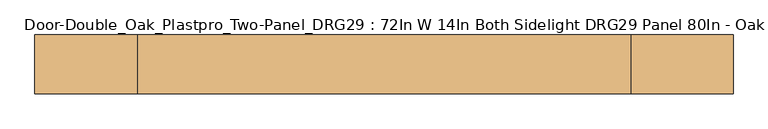
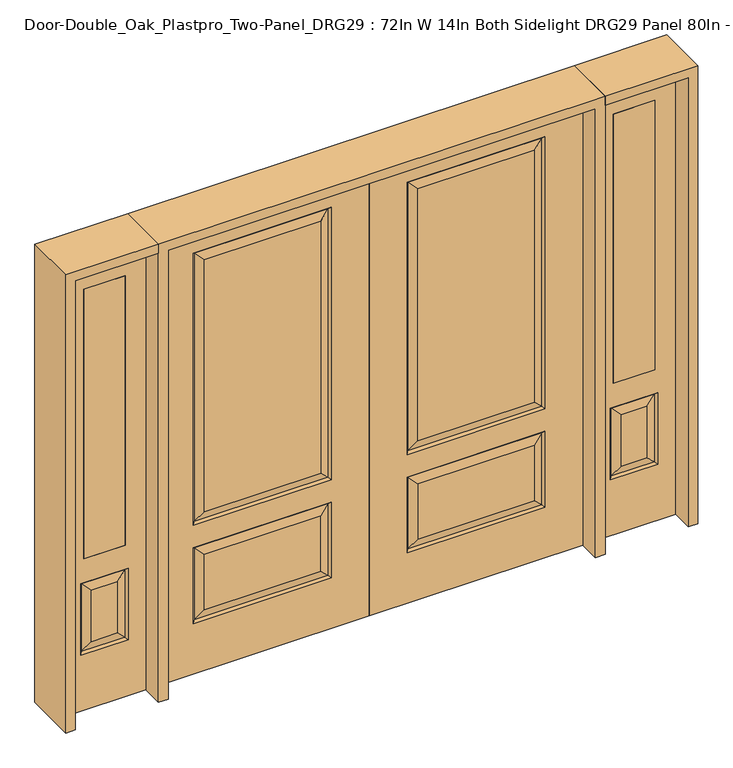
"""IFC4 building model written with IfcOpenShell, lengths in millimetres: door geometry, Door-Double_Oak_Plastpro_Two-Panel_DRG29 : 72In W 14In Both Sidelight DRG29 Panel 80In - Oak."""

from ifc_helpers import new_model, si_unit, frame, origin, place, context, project, spatial, polyline, outline, extrude, faceted_brep, source, transform, mapped, element, save


def door_double_oak_plastpro_two_panel_drg29_72in_w_14in_both_42a677c6(model_context):
    return source(origin(), model_context, "Body", "SolidModel", [
        faceted_brep([(743.3796986, -11.6572439, 562.4046986), (171.0203014, -11.6572439, 562.4046986), (208.0775452, -20.6375, 525.3474548), (706.3224548, -20.6375, 525.3474548), (208.0775452, -20.6375, 274.7525452), (171.0203014, -11.6572439, 237.6953014), (0.0, 20.6375, 0.0), (914.4, 20.6375, 0.0), (914.4, -20.6375, 0.0), (0.0, -20.6375, 0.0), (0.0, 20.6375, 2032.0), (0.0, -20.6375, 2032.0), (914.4, -20.6375, 2032.0), (162.0400452, -20.6375, 228.7150452), (162.0400452, -20.6375, 571.3849548), (752.3599548, -20.6375, 571.3849548), (752.3599548, -20.6375, 228.7150452), (162.0400452, -20.6375, 673.2150452), (162.0400452, -20.6375, 1904.8849548), (752.3599548, -20.6375, 1904.8849548), (752.3599548, -20.6375, 673.2150452), (706.3224548, -20.6375, 274.7525452), (706.3224548, -20.6375, 719.2525452), (706.3224548, -20.6375, 1858.8474548), (208.0775452, -20.6375, 1858.8474548), (208.0775452, -20.6375, 719.2525452), (706.3224548, 20.6375, 274.7525452), (706.3224548, 20.6375, 525.3474548), (743.3796986, 11.6572439, 562.4046986), (743.3796986, 11.6572439, 237.6953014), (752.3599548, 20.6375, 571.3849548), (752.3599548, 20.6375, 228.7150452), (171.0203014, 11.6572439, 237.6953014), (171.0203014, 11.6572439, 562.4046986), (208.0775452, 20.6375, 525.3474548), (208.0775452, 20.6375, 274.7525452), (171.0203014, 11.6572439, 682.1953014), (208.0775452, 20.6375, 719.2525452), (706.3224548, 20.6375, 719.2525452), (743.3796986, 11.6572439, 682.1953014), (706.3224548, 20.6375, 1858.8474548), (743.3796986, 11.6572439, 1895.9046986), (162.0400452, 20.6375, 571.3849548), (743.3796986, -11.6572439, 237.6953014), (914.4, 20.6375, 2032.0), (162.0400452, 20.6375, 228.7150452), (752.3599548, 20.6375, 673.2150452), (752.3599548, 20.6375, 1904.8849548), (162.0400452, 20.6375, 1904.8849548), (162.0400452, 20.6375, 673.2150452), (208.0775452, 20.6375, 1858.8474548), (171.0203014, 11.6572439, 1895.9046986), (171.0203014, -11.6572439, 682.1953014), (743.3796986, -11.6572439, 682.1953014), (743.3796986, -11.6572439, 1895.9046986), (171.0203014, -11.6572439, 1895.9046986)], [[[0, 1, 2, 3]], [[4, 2, 1, 5]], [[6, 7, 8, 9]], [[10, 6, 9, 11]], [[11, 9, 8, 12], [13, 14, 15, 16], [17, 18, 19, 20]], [[21, 3, 2, 4]], [[22, 23, 24, 25]], [[26, 27, 28, 29]], [[29, 28, 30, 31]], [[32, 33, 34, 35]], [[36, 37, 38, 39]], [[38, 40, 41, 39]], [[28, 33, 42, 30]], [[16, 15, 0, 43]], [[15, 14, 1, 0]], [[12, 8, 7, 44]], [[44, 7, 6, 10], [31, 30, 42, 45], [46, 47, 48, 49]], [[37, 50, 40, 38]], [[35, 34, 27, 26]], [[10, 11, 12, 44]], [[49, 48, 51, 36]], [[29, 31, 45, 32]], [[36, 51, 50, 37]], [[45, 42, 33, 32]], [[39, 46, 49, 36]], [[39, 41, 47, 46]], [[32, 35, 26, 29]], [[27, 34, 33, 28]], [[52, 17, 20, 53]], [[20, 19, 54, 53]], [[52, 55, 18, 17]], [[53, 22, 25, 52]], [[25, 24, 55, 52]], [[53, 54, 23, 22]], [[5, 13, 16, 43]], [[5, 1, 14, 13]], [[43, 21, 4, 5]], [[43, 0, 3, 21]], [[19, 18, 55, 54]], [[54, 55, 24, 23]], [[40, 50, 51, 41]], [[41, 51, 48, 47]]]),
        faceted_brep([(-743.3796986, -11.6572439, 562.4046986), (-706.3224548, -20.6375, 525.3474548), (-208.0775452, -20.6375, 525.3474548), (-171.0203014, -11.6572439, 562.4046986), (-208.0775452, -20.6375, 274.7525452), (-171.0203014, -11.6572439, 237.6953014), (0.0, 20.6375, 0.0), (0.0, -20.6375, 0.0), (-914.4, -20.6375, 0.0), (-914.4, 20.6375, 0.0), (0.0, 20.6375, 2032.0), (0.0, -20.6375, 2032.0), (-706.3224548, -20.6375, 719.2525452), (-208.0775452, -20.6375, 719.2525452), (-208.0775452, -20.6375, 1858.8474548), (-706.3224548, -20.6375, 1858.8474548), (-914.4, -20.6375, 2032.0), (-162.0400452, -20.6375, 673.2150452), (-752.3599548, -20.6375, 673.2150452), (-752.3599548, -20.6375, 1904.8849548), (-162.0400452, -20.6375, 1904.8849548), (-162.0400452, -20.6375, 228.7150452), (-752.3599548, -20.6375, 228.7150452), (-752.3599548, -20.6375, 571.3849548), (-162.0400452, -20.6375, 571.3849548), (-706.3224548, -20.6375, 274.7525452), (-706.3224548, 20.6375, 274.7525452), (-743.3796986, 11.6572439, 237.6953014), (-743.3796986, 11.6572439, 562.4046986), (-706.3224548, 20.6375, 525.3474548), (-752.3599548, 20.6375, 228.7150452), (-752.3599548, 20.6375, 571.3849548), (-171.0203014, 11.6572439, 237.6953014), (-208.0775452, 20.6375, 274.7525452), (-208.0775452, 20.6375, 525.3474548), (-171.0203014, 11.6572439, 562.4046986), (-171.0203014, 11.6572439, 682.1953014), (-743.3796986, 11.6572439, 682.1953014), (-706.3224548, 20.6375, 719.2525452), (-208.0775452, 20.6375, 719.2525452), (-743.3796986, 11.6572439, 1895.9046986), (-706.3224548, 20.6375, 1858.8474548), (-162.0400452, 20.6375, 571.3849548), (-743.3796986, -11.6572439, 237.6953014), (-914.4, 20.6375, 2032.0), (-162.0400452, 20.6375, 228.7150452), (-752.3599548, 20.6375, 673.2150452), (-162.0400452, 20.6375, 673.2150452), (-162.0400452, 20.6375, 1904.8849548), (-752.3599548, 20.6375, 1904.8849548), (-208.0775452, 20.6375, 1858.8474548), (-171.0203014, 11.6572439, 1895.9046986), (-171.0203014, -11.6572439, 682.1953014), (-743.3796986, -11.6572439, 682.1953014), (-743.3796986, -11.6572439, 1895.9046986), (-171.0203014, -11.6572439, 1895.9046986)], [[[0, 1, 2, 3]], [[4, 5, 3, 2]], [[6, 7, 8, 9]], [[10, 11, 7, 6]], [[12, 13, 14, 15]], [[11, 16, 8, 7], [17, 18, 19, 20], [21, 22, 23, 24]], [[25, 4, 2, 1]], [[26, 27, 28, 29]], [[27, 30, 31, 28]], [[32, 33, 34, 35]], [[36, 37, 38, 39]], [[38, 37, 40, 41]], [[28, 31, 42, 35]], [[22, 43, 0, 23]], [[23, 0, 3, 24]], [[16, 44, 9, 8]], [[33, 26, 29, 34]], [[44, 10, 6, 9], [30, 45, 42, 31], [46, 47, 48, 49]], [[39, 38, 41, 50]], [[10, 44, 16, 11]], [[47, 36, 51, 48]], [[27, 32, 45, 30]], [[36, 39, 50, 51]], [[45, 32, 35, 42]], [[37, 36, 47, 46]], [[37, 46, 49, 40]], [[32, 27, 26, 33]], [[29, 28, 35, 34]], [[52, 53, 18, 17]], [[18, 53, 54, 19]], [[52, 17, 20, 55]], [[53, 52, 13, 12]], [[13, 52, 55, 14]], [[53, 12, 15, 54]], [[5, 43, 22, 21]], [[5, 21, 24, 3]], [[43, 5, 4, 25]], [[43, 25, 1, 0]], [[19, 54, 55, 20]], [[54, 15, 14, 55]], [[41, 40, 51, 50]], [[40, 49, 48, 51]]]),
        extrude(outline(polyline([(1222.375, -20.6375), (1044.575, -20.6375), (1044.575, 20.6375), (1222.375, 20.6375), (1222.375, -20.6375)])), frame((0.0, 0.0, 685.8), z_axis=(0.0, 0.0, 1.0), x_axis=(1.0, 0.0, 0.0)), (0.0, 0.0, 1.0), 1219.2),
        faceted_brep([(1222.375, -20.6375, 1905.0), (1044.575, -20.6375, 1905.0), (1044.575, 20.6375, 1905.0), (1222.375, 20.6375, 1905.0), (1188.9224548, -20.6375, 531.6974548), (1078.0275452, -20.6375, 531.6974548), (1078.0275452, -20.6375, 300.1525452), (1188.9224548, -20.6375, 300.1525452), (955.675, -20.6375, 2032.0), (955.675, -20.6375, 0.0), (1311.275, -20.6375, 0.0), (1311.275, -20.6375, 2032.0), (1222.375, -20.6375, 685.8), (1044.575, -20.6375, 685.8), (1234.9599548, -20.6375, 254.1150452), (1031.9900452, -20.6375, 254.1150452), (1031.9900452, -20.6375, 577.7349548), (1234.9599548, -20.6375, 577.7349548), (1225.9796986, 11.6572439, 568.7546986), (1234.9599548, 20.6375, 577.7349548), (1234.9599548, 20.6375, 254.1150452), (1225.9796986, 11.6572439, 263.0953014), (1040.9703014, 11.6572439, 568.7546986), (1031.9900452, 20.6375, 577.7349548), (1188.9224548, 20.6375, 300.1525452), (1188.9224548, 20.6375, 531.6974548), (1222.375, 20.6375, 685.8), (1044.575, 20.6375, 685.8), (1040.9703014, -11.6572439, 263.0953014), (1225.9796986, -11.6572439, 263.0953014), (1040.9703014, -11.6572439, 568.7546986), (1225.9796986, -11.6572439, 568.7546986), (955.675, 20.6375, 2032.0), (1311.275, 20.6375, 2032.0), (955.675, 20.6375, 0.0), (1311.275, 20.6375, 0.0), (1031.9900452, 20.6375, 254.1150452), (1078.0275452, 20.6375, 300.1525452), (1078.0275452, 20.6375, 531.6974548), (1040.9703014, 11.6572439, 263.0953014)], [[[0, 1, 2, 3]], [[4, 5, 6, 7]], [[8, 9, 10, 11], [0, 12, 13, 1], [14, 15, 16, 17]], [[18, 19, 20, 21]], [[18, 22, 23, 19]], [[21, 24, 25, 18]], [[26, 27, 13, 12]], [[7, 6, 28, 29]], [[6, 5, 30, 28]], [[29, 14, 17, 31]], [[32, 8, 11, 33]], [[34, 35, 10, 9]], [[32, 34, 9, 8]], [[11, 10, 35, 33]], [[33, 35, 34, 32], [19, 23, 36, 20], [2, 27, 26, 3]], [[24, 37, 38, 25]], [[20, 36, 39, 21]], [[36, 23, 22, 39]], [[25, 38, 22, 18]], [[39, 22, 38, 37]], [[21, 39, 37, 24]], [[3, 26, 12, 0]], [[1, 13, 27, 2]], [[31, 4, 7, 29]], [[31, 30, 5, 4]], [[17, 16, 30, 31]], [[28, 30, 16, 15]], [[29, 28, 15, 14]]]),
        extrude(outline(polyline([(-1222.375, -20.6375), (-1222.375, 20.6375), (-1044.575, 20.6375), (-1044.575, -20.6375), (-1222.375, -20.6375)])), frame((0.0, 0.0, 685.8), z_axis=(0.0, 0.0, 1.0), x_axis=(1.0, 0.0, 0.0)), (0.0, 0.0, 1.0), 1219.2),
        faceted_brep([(-1222.375, -20.6375, 1905.0), (-1222.375, 20.6375, 1905.0), (-1044.575, 20.6375, 1905.0), (-1044.575, -20.6375, 1905.0), (-1188.9224548, -20.6375, 531.6974548), (-1188.9224548, -20.6375, 300.1525452), (-1078.0275452, -20.6375, 300.1525452), (-1078.0275452, -20.6375, 531.6974548), (-955.675, -20.6375, 2032.0), (-1311.275, -20.6375, 2032.0), (-1311.275, -20.6375, 0.0), (-955.675, -20.6375, 0.0), (-1234.9599548, -20.6375, 254.1150452), (-1234.9599548, -20.6375, 577.7349548), (-1031.9900452, -20.6375, 577.7349548), (-1031.9900452, -20.6375, 254.1150452), (-1044.575, -20.6375, 685.8), (-1222.375, -20.6375, 685.8), (-1225.9796986, 11.6572439, 568.7546986), (-1225.9796986, 11.6572439, 263.0953014), (-1234.9599548, 20.6375, 254.1150452), (-1234.9599548, 20.6375, 577.7349548), (-1031.9900452, 20.6375, 577.7349548), (-1040.9703014, 11.6572439, 568.7546986), (-1188.9224548, 20.6375, 531.6974548), (-1188.9224548, 20.6375, 300.1525452), (-1222.375, 20.6375, 685.8), (-1044.575, 20.6375, 685.8), (-1225.9796986, -11.6572439, 263.0953014), (-1040.9703014, -11.6572439, 263.0953014), (-1040.9703014, -11.6572439, 568.7546986), (-1225.9796986, -11.6572439, 568.7546986), (-955.675, 20.6375, 2032.0), (-1311.275, 20.6375, 2032.0), (-955.675, 20.6375, 0.0), (-1311.275, 20.6375, 0.0), (-1031.9900452, 20.6375, 254.1150452), (-1078.0275452, 20.6375, 531.6974548), (-1078.0275452, 20.6375, 300.1525452), (-1040.9703014, 11.6572439, 263.0953014)], [[[0, 1, 2, 3]], [[4, 5, 6, 7]], [[8, 9, 10, 11], [12, 13, 14, 15], [0, 3, 16, 17]], [[18, 19, 20, 21]], [[18, 21, 22, 23]], [[19, 18, 24, 25]], [[26, 17, 16, 27]], [[5, 28, 29, 6]], [[6, 29, 30, 7]], [[28, 31, 13, 12]], [[32, 33, 9, 8]], [[34, 11, 10, 35]], [[32, 8, 11, 34]], [[9, 33, 35, 10]], [[33, 32, 34, 35], [21, 20, 36, 22], [2, 1, 26, 27]], [[25, 24, 37, 38]], [[20, 19, 39, 36]], [[36, 39, 23, 22]], [[24, 18, 23, 37]], [[39, 38, 37, 23]], [[19, 25, 38, 39]], [[1, 0, 17, 26]], [[3, 2, 27, 16]], [[31, 28, 5, 4]], [[31, 4, 7, 30]], [[13, 31, 30, 14]], [[29, 15, 14, 30]], [[28, 12, 15, 29]]]),
        extrude(outline(polyline([(2032.0, -955.675), (2073.275, -955.675), (2073.275, -1352.55), (0.0, -1352.55), (0.0, -1311.275), (2032.0, -1311.275), (2032.0, -955.675)])), frame((0.0, -114.3, 0.0), z_axis=(0.0, 1.0, 0.0), x_axis=(0.0, 0.0, 1.0)), (0.0, 0.0, 1.0), 228.6),
        extrude(outline(polyline([(2073.275, -955.675), (0.0, -955.675), (0.0, -914.4), (2032.0, -914.4), (2032.0, 914.4), (0.0, 914.4), (0.0, 955.675), (2073.275, 955.675), (2073.275, -955.675)])), frame((0.0, -114.3, 0.0), z_axis=(0.0, 1.0, 0.0), x_axis=(0.0, 0.0, 1.0)), (0.0, 0.0, 1.0), 228.6),
        extrude(outline(polyline([(0.0, 1311.275), (0.0, 1352.55), (2073.275, 1352.55), (2073.275, 955.675), (2032.0, 955.675), (2032.0, 1311.275), (0.0, 1311.275)])), frame((0.0, -114.3, 0.0), z_axis=(0.0, 1.0, 0.0), x_axis=(0.0, 0.0, 1.0)), (0.0, 0.0, 1.0), 228.6),
    ])


if __name__ == "__main__":
    model = new_model("IFC4")
    model_context = context("Model", 3, world=origin())
    ifc_project = project(units=[si_unit("LENGTHUNIT", "METRE", prefix="MILLI")], contexts=[model_context])
    site = spatial("IfcSite", under=ifc_project)
    building = spatial("IfcBuilding", under=site)
    placement = place(None, origin())
    door_double_oak_plastpro_two_panel_drg29_72in_w_14in_both_shape = door_double_oak_plastpro_two_panel_drg29_72in_w_14in_both_42a677c6(model_context)
    element("IfcDoor", 1, ObjectType="Door-Double_Oak_Plastpro_Two-Panel_DRG29 : 72In W 14In Both Sidelight DRG29 Panel 80In - Oak", at=placement, inside=building, context=model_context, shape_type="MappedRepresentation", body=[
        mapped(door_double_oak_plastpro_two_panel_drg29_72in_w_14in_both_shape, transform((0.0, 0.0, 0.0), x_axis=(1.0, 0.0, 0.0), y_axis=(0.0, 1.0, 0.0), z_axis=(0.0, 0.0, 1.0))),
    ])
    save(model, "model.ifc")
